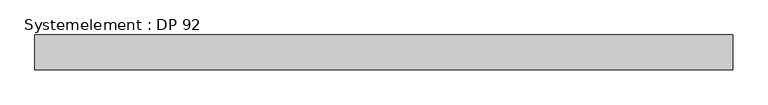
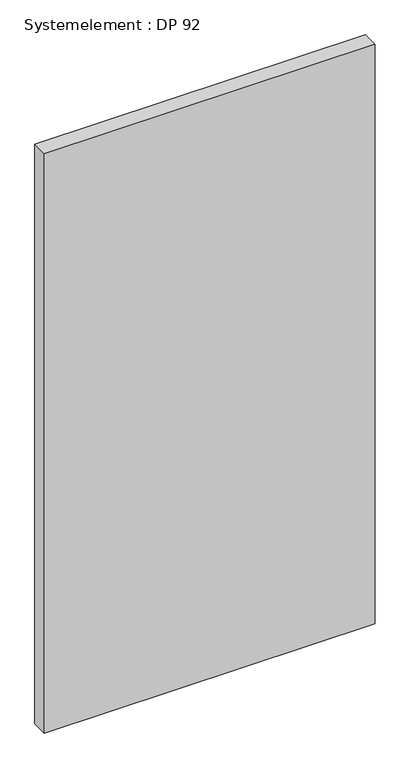
"""IFC4 building model written with IfcOpenShell, lengths in millimetres: plate geometry, Systemelement : DP 92."""

from ifc_helpers import new_model, si_unit, origin, origin_with_axes, place, context, project, spatial, polyline, outline, extrude, source, transform, mapped, element, save


def systemelement_dp_92_9e439f91(model_context):
    return source(origin(), model_context, "Body", "SweptSolid", [
        extrude(outline(polyline([(500.0, -50.0), (-500.0, -50.0), (-500.0, 0.0), (500.0, 0.0), (500.0, -50.0)])), origin_with_axes(), (0.0, 0.0, 1.0), 1851.6147161),
    ])


if __name__ == "__main__":
    model = new_model("IFC4")
    model_context = context("Model", 3, world=origin())
    ifc_project = project(units=[si_unit("LENGTHUNIT", "METRE", prefix="MILLI")], contexts=[model_context])
    site = spatial("IfcSite", under=ifc_project)
    building = spatial("IfcBuilding", under=site)
    placement = place(None, origin())
    systemelement_dp_92_shape = systemelement_dp_92_9e439f91(model_context)
    element("IfcPlate", 1, ObjectType="Systemelement : DP 92", at=placement, inside=building, context=model_context, shape_type="MappedRepresentation", body=[
        mapped(systemelement_dp_92_shape, transform((0.0, 0.0, 0.0), x_axis=(1.0, 0.0, 0.0), y_axis=(0.0, 1.0, 0.0), z_axis=(0.0, 0.0, 1.0))),
    ])
    save(model, "model.ifc")
